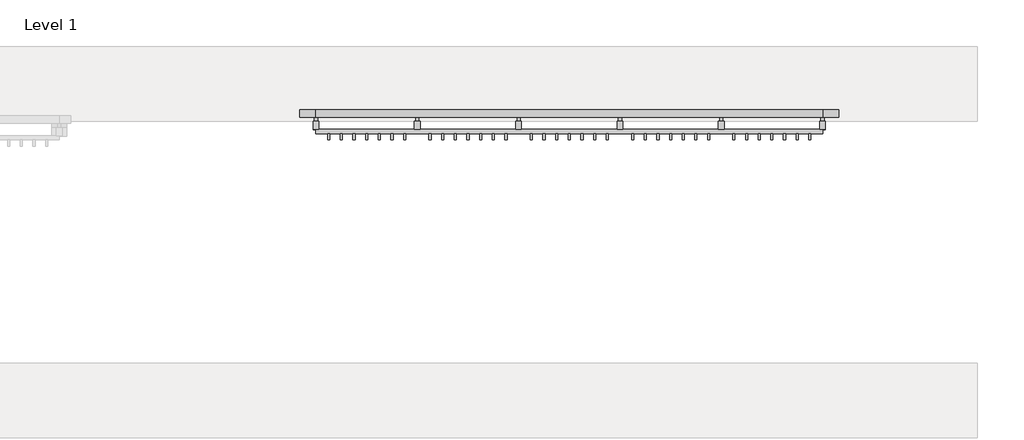
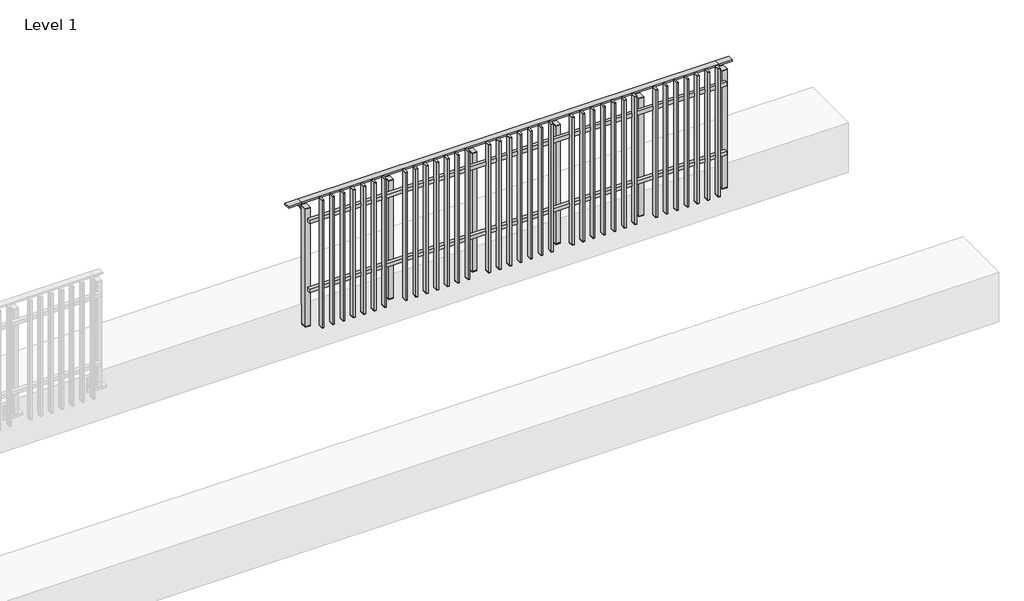
# One storey, part 17 of 17: 1 railing.
"""IFC4 building model written with IfcOpenShell, lengths in millimetres."""

import ifcopenshell
import ifcopenshell.guid

model = None  # the IFC model being written
_history = None  # IfcOwnerHistory: only IFC2X3 demands one
_inside = {}  # id of a spatial element -> (the spatial element, [elements in it])
_under = {}  # id of a project, library or spatial element -> (it, [spatial elements below it])
_declared = {}  # id of a project -> (the project, [libraries it declares])
_typed = {}  # id of a type object -> (the type object, [elements of that type])
_made_of = {}  # id of a material, layer set ... -> (it, [elements and type objects made of it])


def new_model(schema):
    """Start an empty IFC model of exactly this schema.

    Asked for "IFC4X3", IfcOpenShell would pick the latest addendum, in which some entities
    have other attributes; the version numbers below select the first issue.
    IFC2X3 requires an IfcOwnerHistory on every rooted entity: one is made here for all.
    """
    global model, _history
    if schema == "IFC4X3":
        model = ifcopenshell.file(schema_version=(4, 3, 0, 0))
    else:
        model = ifcopenshell.file(schema=schema)
    _inside.clear()
    _under.clear()
    _declared.clear()
    _typed.clear()
    _made_of.clear()
    _history = None
    if model.schema == "IFC2X3":
        org = make("IfcOrganization", Name="unknown")
        user = make(
            "IfcPersonAndOrganization",
            ThePerson=make("IfcPerson", FamilyName="unknown"),
            TheOrganization=org,
        )
        app = make(
            "IfcApplication",
            ApplicationDeveloper=org,
            Version="unknown",
            ApplicationFullName="unknown",
            ApplicationIdentifier="unknown",
        )
        _history = make(
            "IfcOwnerHistory",
            OwningUser=user,
            OwningApplication=app,
            ChangeAction="ADDED",
            CreationDate=0,
        )
    return model


def make(cls, **values):
    """One entity of the class cls with the attributes given. An attribute that is None is left unset."""
    return model.create_entity(
        cls, **{name: value for name, value in values.items() if value is not None}
    )


def rooted(cls, **values):
    """An entity with a GlobalId (a new one), such as an element, a storey or a relation."""
    return make(cls, GlobalId=ifcopenshell.guid.new(), OwnerHistory=_history, **values)


def si_unit(unit_type, name, prefix=None):
    """IfcSIUnit, for example si_unit("LENGTHUNIT", "METRE", prefix="MILLI")."""
    return make("IfcSIUnit", UnitType=unit_type, Prefix=prefix, Name=name)


def assignment(units):
    """IfcUnitAssignment: the units of a project."""
    return None if units is None else make("IfcUnitAssignment", Units=units)


def point(xyz):
    """IfcCartesianPoint."""
    return None if xyz is None else make("IfcCartesianPoint", Coordinates=xyz)


def direction(xyz):
    """IfcDirection."""
    return None if xyz is None else make("IfcDirection", DirectionRatios=xyz)


def frame(location, z_axis=None, x_axis=None):
    """IfcAxis2Placement3D, a coordinate frame: its origin and axes. An axis left out is left unset."""
    return make(
        "IfcAxis2Placement3D",
        Location=point(location),
        Axis=direction(z_axis),
        RefDirection=direction(x_axis),
    )


def frame_2d(location, x_axis=None):
    """IfcAxis2Placement2D, a coordinate frame in the plane: its origin and x axis."""
    return make(
        "IfcAxis2Placement2D", Location=point(location), RefDirection=direction(x_axis)
    )


def origin():
    """The frame at (0, 0, 0) with its axes left unset."""
    return frame((0.0, 0.0, 0.0))


def place(relative_to, where):
    """IfcLocalPlacement: puts the frame where relative to a parent placement (None: the world)."""
    return make(
        "IfcLocalPlacement", PlacementRelTo=relative_to, RelativePlacement=where
    )


def context(
    kind, dimensions, precision=None, world=None, true_north=None, identifier=None
):
    """IfcGeometricRepresentationContext, for example the 3D "Model" context."""
    return make(
        "IfcGeometricRepresentationContext",
        ContextIdentifier=identifier,
        ContextType=kind,
        CoordinateSpaceDimension=dimensions,
        Precision=precision,
        WorldCoordinateSystem=world,
        TrueNorth=true_north,
    )


def project(units=None, contexts=None):
    """IfcProject with its units and contexts."""
    return rooted(
        "IfcProject",
        Name="project",
        RepresentationContexts=contexts,
        UnitsInContext=assignment(units),
    )


def spatial(cls, under=None, at=None, **own):
    """A site, building, storey or space (cls), placed at a placement, below another one or the project."""
    s = rooted(cls, ObjectPlacement=at, **own)
    if under is not None:
        _under.setdefault(under.id(), (under, []))[1].append(s)
    return s


def polyline(points):
    """IfcPolyline through the points."""
    return make("IfcPolyline", Points=[point(p) for p in points])


def circle_curve(where, radius):
    """IfcCircle in the frame where."""
    return make("IfcCircle", Position=where, Radius=radius)


def trimmed(basis, trim1, trim2, sense, master):
    """IfcTrimmedCurve: the piece of a basis curve between two trims."""
    return make(
        "IfcTrimmedCurve",
        BasisCurve=basis,
        Trim1=trim1,
        Trim2=trim2,
        SenseAgreement=sense,
        MasterRepresentation=master,
    )


def segment(curve, same_sense, transition):
    """IfcCompositeCurveSegment."""
    return make(
        "IfcCompositeCurveSegment",
        Transition=transition,
        SameSense=same_sense,
        ParentCurve=curve,
    )


def composite_curve(segments, self_intersect=None):
    """IfcCompositeCurve: segments joined end to end."""
    return make("IfcCompositeCurve", Segments=segments, SelfIntersect=self_intersect)


def outline(outer, holes=None, kind="AREA"):
    """IfcArbitraryClosedProfileDef: a profile drawn as a closed curve; with holes, ...WithVoids."""
    if holes is None:
        return make("IfcArbitraryClosedProfileDef", ProfileType=kind, OuterCurve=outer)
    return make(
        "IfcArbitraryProfileDefWithVoids",
        ProfileType=kind,
        OuterCurve=outer,
        InnerCurves=holes,
    )


def extrude(swept, where, along, depth):
    """IfcExtrudedAreaSolid: the profile swept, set in the frame where, extruded along a direction by depth."""
    return make(
        "IfcExtrudedAreaSolid",
        SweptArea=swept,
        Position=where,
        ExtrudedDirection=direction(along),
        Depth=depth,
    )


def faces_of(points, faces, orient=None, outer=None):
    """IfcFace entities. A face is a list of loops; a loop is a list of indices into points, from 0.

    orient and outer hold one flag for each loop. By default every Orientation is true, the
    first loop of a face is its IfcFaceOuterBound and the others are IfcFaceBound.
    """
    made = []
    for i, loops in enumerate(faces):
        bounds = []
        for j, loop in enumerate(loops):
            is_outer = j == 0 if outer is None else outer[i][j]
            bounds.append(
                make(
                    "IfcFaceOuterBound" if is_outer else "IfcFaceBound",
                    Bound=make("IfcPolyLoop", Polygon=[points[k] for k in loop]),
                    Orientation=True if orient is None else orient[i][j],
                )
            )
        made.append(make("IfcFace", Bounds=bounds))
    return made


def faceted_brep(points, faces, orient=None, outer=None, voids=None):
    """IfcFacetedBrep: a solid bounded by flat faces; with voids (closed shells), ...WithVoids."""
    shared = [point(p) for p in points]
    hull = make("IfcClosedShell", CfsFaces=faces_of(shared, faces, orient, outer))
    if voids is None:
        return make("IfcFacetedBrep", Outer=hull)
    return make(
        "IfcFacetedBrepWithVoids",
        Outer=hull,
        Voids=[
            make(cls, CfsFaces=faces_of(shared, fs, o, b)) for cls, fs, o, b in voids
        ],
    )


def shape(context_of_items, identifier, shape_type, items):
    """IfcShapeRepresentation: the items that make up one representation, for example the "Body"."""
    return make(
        "IfcShapeRepresentation",
        ContextOfItems=context_of_items,
        RepresentationIdentifier=identifier,
        RepresentationType=shape_type,
        Items=items,
    )


def made_of(thing, what):
    """Note that an element or type object is made of a material, layer set ...; save() writes the relation."""
    if what is not None:
        _made_of.setdefault(what.id(), (what, []))[1].append(thing)
    return thing


def element(
    cls,
    number,
    at=None,
    inside=None,
    cuts=None,
    type_object=None,
    material=None,
    context=None,
    identifier="Body",
    shape_type=None,
    held_by="IfcProductDefinitionShape",
    body=None,
    shapes=None,
    **own,
):
    """One element of the class cls, such as IfcWall. Its Tag is "e" and its number.

    at: its placement. inside: the storey or other place that contains it. cuts: it is an
    opening in that element (IfcRelVoidsElement). A single representation is given by context,
    identifier, shape_type and body (its items); several are given by shapes. held_by: the class
    of the entity that holds the representations. save() writes the other relations.
    """
    e = rooted(cls, Tag="e%d" % number, ObjectPlacement=at, **own)
    if body is not None:
        shapes = [shape(context, identifier, shape_type, body)]
    if shapes is not None:
        e.Representation = make(held_by, Representations=shapes)
    if inside is not None:
        _inside.setdefault(inside.id(), (inside, []))[1].append(e)
    if cuts is not None:
        rooted(
            "IfcRelVoidsElement", RelatingBuildingElement=cuts, RelatedOpeningElement=e
        )
    if type_object is not None:
        _typed.setdefault(type_object.id(), (type_object, []))[1].append(e)
    return made_of(e, material)


def aggregate(whole, parts):
    """IfcRelAggregates: a whole, such as a stair, and the parts it consists of."""
    return rooted("IfcRelAggregates", RelatingObject=whole, RelatedObjects=parts)


def save(model, path):
    """Write the relations noted so far, then the file.

    IfcRelAggregates (storeys below a building ...), IfcRelContainedInSpatialStructure (elements
    in a storey), IfcRelDefinesByType, IfcRelAssociatesMaterial and IfcRelDeclares: one each for
    every whole, place, type object, material and project.
    """
    for whole, parts in _under.values():
        aggregate(whole, parts)
    for where, things in _inside.values():
        rooted(
            "IfcRelContainedInSpatialStructure",
            RelatedElements=things,
            RelatingStructure=where,
        )
    for kind, things in _typed.values():
        rooted("IfcRelDefinesByType", RelatedObjects=things, RelatingType=kind)
    for what, things in _made_of.values():
        rooted("IfcRelAssociatesMaterial", RelatedObjects=things, RelatingMaterial=what)
    for by, libraries in _declared.values():
        rooted("IfcRelDeclares", RelatingContext=by, RelatedDefinitions=libraries)
    model.write(path)


model = new_model("IFC4")

# Units and contexts
model_context = context("Model", 3, world=origin())
ifc_project = project(units=[si_unit("LENGTHUNIT", "METRE", prefix="MILLI")], contexts=[model_context])

# Site, building, storey
site = spatial("IfcSite", under=ifc_project)
building = spatial("IfcBuilding", under=site)
storey = spatial("IfcBuildingStorey", under=building, Name="Level 1", Elevation=0.0)

# Railing
placement = place(None, origin())
element("IfcRailing", 1, at=placement, inside=storey, context=model_context, shape_type="SolidModel", body=[
    faceted_brep([(18027.0, 7492.6846828, 985.0), (18027.0, 7492.6846828, 1000.0), (22027.0, 7492.6846828, 1000.0), (22027.0, 7492.6846828, 985.0), (18027.0, 7432.6846828, 985.0), (22027.0, 7432.6846828, 985.0), (18027.0, 7432.6846828, 1000.0), (22027.0, 7432.6846828, 1000.0), (17899.5, 7492.6846828, 1000.0), (17899.5, 7492.6846828, 985.0), (17899.5, 7432.6846828, 985.0), (17899.5, 7432.6846828, 1000.0), (22154.5, 7492.6846828, 1000.0), (22154.5, 7432.6846828, 1000.0), (22154.5, 7432.6846828, 985.0), (22154.5, 7492.6846828, 985.0)], [[[0, 1, 2, 3]], [[4, 0, 3, 5]], [[6, 4, 5, 7]], [[1, 6, 7, 2]], [[8, 9, 10, 11]], [[9, 8, 1, 0]], [[10, 9, 0, 4]], [[11, 10, 4, 6]], [[8, 11, 6, 1]], [[12, 13, 14, 15]], [[3, 2, 12, 15]], [[5, 3, 15, 14]], [[7, 5, 14, 13]], [[2, 7, 13, 12]]]),
    extrude(outline(polyline([(18027.0, 7303.1846828), (18027.0, 7335.1846828), (22027.0, 7335.1846828), (22027.0, 7303.1846828), (18027.0, 7303.1846828)])), frame((0.0, 0.0, 164.0), z_axis=(0.0, 0.0, 1.0), x_axis=(1.0, 0.0, 0.0)), (0.0, 0.0, 1.0), 36.0),
    extrude(outline(polyline([(18027.0, 7303.1846828), (18027.0, 7335.1846828), (22027.0, 7335.1846828), (22027.0, 7303.1846828), (18027.0, 7303.1846828)])), frame((0.0, 0.0, 864.0), z_axis=(0.0, 0.0, 1.0), x_axis=(1.0, 0.0, 0.0)), (0.0, 0.0, 1.0), 36.0),
    extrude(outline(polyline([(21918.5, 7254.1846828), (21918.5, 7303.1846828), (21935.5, 7303.1846828), (21935.5, 7254.1846828), (21918.5, 7254.1846828)])), frame((0.0, 0.0, -195.0), z_axis=(0.0, 0.0, 1.0), x_axis=(1.0, 0.0, 0.0)), (0.0, 0.0, 1.0), 1290.0),
    extrude(outline(polyline([(21935.5, 7303.1846828), (21935.5, 7254.1846828), (21918.5, 7254.1846828), (21918.5, 7303.1846828), (21935.5, 7303.1846828)])), frame((0.0, 0.0, -200.0), z_axis=(0.0, 0.0, 1.0), x_axis=(1.0, 0.0, 0.0)), (0.0, 0.0, 1.0), 5.0),
    extrude(outline(polyline([(21935.5, 7303.1846828), (21935.5, 7254.1846828), (21918.5, 7254.1846828), (21918.5, 7303.1846828), (21935.5, 7303.1846828)])), frame((0.0, 0.0, 1095.0), z_axis=(0.0, 0.0, 1.0), x_axis=(1.0, 0.0, 0.0)), (0.0, 0.0, 1.0), 5.0),
    extrude(outline(polyline([(21818.5, 7254.1846828), (21818.5, 7303.1846828), (21835.5, 7303.1846828), (21835.5, 7254.1846828), (21818.5, 7254.1846828)])), frame((0.0, 0.0, -195.0), z_axis=(0.0, 0.0, 1.0), x_axis=(1.0, 0.0, 0.0)), (0.0, 0.0, 1.0), 1290.0),
    extrude(outline(polyline([(21835.5, 7303.1846828), (21835.5, 7254.1846828), (21818.5, 7254.1846828), (21818.5, 7303.1846828), (21835.5, 7303.1846828)])), frame((0.0, 0.0, -200.0), z_axis=(0.0, 0.0, 1.0), x_axis=(1.0, 0.0, 0.0)), (0.0, 0.0, 1.0), 5.0),
    extrude(outline(polyline([(21835.5, 7303.1846828), (21835.5, 7254.1846828), (21818.5, 7254.1846828), (21818.5, 7303.1846828), (21835.5, 7303.1846828)])), frame((0.0, 0.0, 1095.0), z_axis=(0.0, 0.0, 1.0), x_axis=(1.0, 0.0, 0.0)), (0.0, 0.0, 1.0), 5.0),
    extrude(outline(polyline([(21718.5, 7254.1846828), (21718.5, 7303.1846828), (21735.5, 7303.1846828), (21735.5, 7254.1846828), (21718.5, 7254.1846828)])), frame((0.0, 0.0, -195.0), z_axis=(0.0, 0.0, 1.0), x_axis=(1.0, 0.0, 0.0)), (0.0, 0.0, 1.0), 1290.0),
    extrude(outline(polyline([(21735.5, 7303.1846828), (21735.5, 7254.1846828), (21718.5, 7254.1846828), (21718.5, 7303.1846828), (21735.5, 7303.1846828)])), frame((0.0, 0.0, -200.0), z_axis=(0.0, 0.0, 1.0), x_axis=(1.0, 0.0, 0.0)), (0.0, 0.0, 1.0), 5.0),
    extrude(outline(polyline([(21735.5, 7303.1846828), (21735.5, 7254.1846828), (21718.5, 7254.1846828), (21718.5, 7303.1846828), (21735.5, 7303.1846828)])), frame((0.0, 0.0, 1095.0), z_axis=(0.0, 0.0, 1.0), x_axis=(1.0, 0.0, 0.0)), (0.0, 0.0, 1.0), 5.0),
    extrude(outline(polyline([(21618.5, 7254.1846828), (21618.5, 7303.1846828), (21635.5, 7303.1846828), (21635.5, 7254.1846828), (21618.5, 7254.1846828)])), frame((0.0, 0.0, -195.0), z_axis=(0.0, 0.0, 1.0), x_axis=(1.0, 0.0, 0.0)), (0.0, 0.0, 1.0), 1290.0),
    extrude(outline(polyline([(21635.5, 7303.1846828), (21635.5, 7254.1846828), (21618.5, 7254.1846828), (21618.5, 7303.1846828), (21635.5, 7303.1846828)])), frame((0.0, 0.0, -200.0), z_axis=(0.0, 0.0, 1.0), x_axis=(1.0, 0.0, 0.0)), (0.0, 0.0, 1.0), 5.0),
    extrude(outline(polyline([(21635.5, 7303.1846828), (21635.5, 7254.1846828), (21618.5, 7254.1846828), (21618.5, 7303.1846828), (21635.5, 7303.1846828)])), frame((0.0, 0.0, 1095.0), z_axis=(0.0, 0.0, 1.0), x_axis=(1.0, 0.0, 0.0)), (0.0, 0.0, 1.0), 5.0),
    extrude(outline(polyline([(21518.5, 7254.1846828), (21518.5, 7303.1846828), (21535.5, 7303.1846828), (21535.5, 7254.1846828), (21518.5, 7254.1846828)])), frame((0.0, 0.0, -195.0), z_axis=(0.0, 0.0, 1.0), x_axis=(1.0, 0.0, 0.0)), (0.0, 0.0, 1.0), 1290.0),
    extrude(outline(polyline([(21535.5, 7303.1846828), (21535.5, 7254.1846828), (21518.5, 7254.1846828), (21518.5, 7303.1846828), (21535.5, 7303.1846828)])), frame((0.0, 0.0, -200.0), z_axis=(0.0, 0.0, 1.0), x_axis=(1.0, 0.0, 0.0)), (0.0, 0.0, 1.0), 5.0),
    extrude(outline(polyline([(21535.5, 7303.1846828), (21535.5, 7254.1846828), (21518.5, 7254.1846828), (21518.5, 7303.1846828), (21535.5, 7303.1846828)])), frame((0.0, 0.0, 1095.0), z_axis=(0.0, 0.0, 1.0), x_axis=(1.0, 0.0, 0.0)), (0.0, 0.0, 1.0), 5.0),
    extrude(outline(polyline([(21418.5, 7254.1846828), (21418.5, 7303.1846828), (21435.5, 7303.1846828), (21435.5, 7254.1846828), (21418.5, 7254.1846828)])), frame((0.0, 0.0, -195.0), z_axis=(0.0, 0.0, 1.0), x_axis=(1.0, 0.0, 0.0)), (0.0, 0.0, 1.0), 1290.0),
    extrude(outline(polyline([(21435.5, 7303.1846828), (21435.5, 7254.1846828), (21418.5, 7254.1846828), (21418.5, 7303.1846828), (21435.5, 7303.1846828)])), frame((0.0, 0.0, -200.0), z_axis=(0.0, 0.0, 1.0), x_axis=(1.0, 0.0, 0.0)), (0.0, 0.0, 1.0), 5.0),
    extrude(outline(polyline([(21435.5, 7303.1846828), (21435.5, 7254.1846828), (21418.5, 7254.1846828), (21418.5, 7303.1846828), (21435.5, 7303.1846828)])), frame((0.0, 0.0, 1095.0), z_axis=(0.0, 0.0, 1.0), x_axis=(1.0, 0.0, 0.0)), (0.0, 0.0, 1.0), 5.0),
    extrude(outline(polyline([(21318.5, 7254.1846828), (21318.5, 7303.1846828), (21335.5, 7303.1846828), (21335.5, 7254.1846828), (21318.5, 7254.1846828)])), frame((0.0, 0.0, -195.0), z_axis=(0.0, 0.0, 1.0), x_axis=(1.0, 0.0, 0.0)), (0.0, 0.0, 1.0), 1290.0),
    extrude(outline(polyline([(21335.5, 7303.1846828), (21335.5, 7254.1846828), (21318.5, 7254.1846828), (21318.5, 7303.1846828), (21335.5, 7303.1846828)])), frame((0.0, 0.0, -200.0), z_axis=(0.0, 0.0, 1.0), x_axis=(1.0, 0.0, 0.0)), (0.0, 0.0, 1.0), 5.0),
    extrude(outline(polyline([(21335.5, 7303.1846828), (21335.5, 7254.1846828), (21318.5, 7254.1846828), (21318.5, 7303.1846828), (21335.5, 7303.1846828)])), frame((0.0, 0.0, 1095.0), z_axis=(0.0, 0.0, 1.0), x_axis=(1.0, 0.0, 0.0)), (0.0, 0.0, 1.0), 5.0),
    extrude(outline(composite_curve([segment(polyline([(7488.1846828, 985.0), (7488.1846828, 960.900037)]), True, "CONTINUOUS"), segment(trimmed(circle_curve(frame_2d((7478.1846828, 960.900037)), 10.0), [point((7488.1846828, 960.900037))], [point((7480.7728733, 951.2407787))], False, "CARTESIAN"), True, "CONTINUOUS"), segment(polyline([(7480.7728733, 951.2407787), (7423.7244733, 935.9547061)]), True, "CONTINUOUS"), segment(trimmed(circle_curve(frame_2d((7426.3126638, 926.2954478)), 10.0), [point((7423.7244733, 935.9547061))], [point((7416.3982152, 927.6007097))], True, "CARTESIAN"), True, "CONTINUOUS"), segment(polyline([(7416.3982152, 927.6007097), (7411.791393, 892.6084214)]), True, "CONTINUOUS"), segment(trimmed(circle_curve(frame_2d((7408.8170584, 893.0)), 3.0), [point((7411.791393, 892.6084214))], [point((7408.8170584, 890.0))], False, "CARTESIAN"), True, "CONTINUOUS"), segment(polyline([(7408.8170584, 890.0), (7400.1846828, 890.0), (7400.1846828, 940.0), (7464.1846828, 957.1487483), (7464.1846828, 985.0), (7488.1846828, 985.0)]), True, "CONTINUOUS")], self_intersect=False)), frame((21214.5, 0.0, 0.0), z_axis=(1.0, 0.0, 0.0), x_axis=(0.0, 1.0, 0.0)), (0.0, 0.0, 1.0), 25.0),
    extrude(outline(polyline([(21249.5, 7400.1846828), (21249.5, 7335.1846828), (21204.5, 7335.1846828), (21204.5, 7400.1846828), (21249.5, 7400.1846828)])), frame((0.0, 0.0, 1000.0), z_axis=(0.0, 0.0, 1.0), x_axis=(1.0, 0.0, 0.0)), (0.0, 0.0, 1.0), 5.0),
    extrude(outline(polyline([(21249.5, 7400.1846828), (21249.5, 7335.1846828), (21204.5, 7335.1846828), (21204.5, 7400.1846828), (21249.5, 7400.1846828)])), frame((0.0, 0.0, -192.0), z_axis=(0.0, 0.0, 1.0), x_axis=(1.0, 0.0, 0.0)), (0.0, 0.0, 1.0), 1192.0),
    extrude(outline(polyline([(21249.5, 7400.1846828), (21249.5, 7335.1846828), (21204.5, 7335.1846828), (21204.5, 7400.1846828), (21249.5, 7400.1846828)])), frame((0.0, 0.0, -200.0), z_axis=(0.0, 0.0, 1.0), x_axis=(1.0, 0.0, 0.0)), (0.0, 0.0, 1.0), 8.0),
    extrude(outline(polyline([(21118.5, 7254.1846828), (21118.5, 7303.1846828), (21135.5, 7303.1846828), (21135.5, 7254.1846828), (21118.5, 7254.1846828)])), frame((0.0, 0.0, -195.0), z_axis=(0.0, 0.0, 1.0), x_axis=(1.0, 0.0, 0.0)), (0.0, 0.0, 1.0), 1290.0),
    extrude(outline(polyline([(21135.5, 7303.1846828), (21135.5, 7254.1846828), (21118.5, 7254.1846828), (21118.5, 7303.1846828), (21135.5, 7303.1846828)])), frame((0.0, 0.0, -200.0), z_axis=(0.0, 0.0, 1.0), x_axis=(1.0, 0.0, 0.0)), (0.0, 0.0, 1.0), 5.0),
    extrude(outline(polyline([(21135.5, 7303.1846828), (21135.5, 7254.1846828), (21118.5, 7254.1846828), (21118.5, 7303.1846828), (21135.5, 7303.1846828)])), frame((0.0, 0.0, 1095.0), z_axis=(0.0, 0.0, 1.0), x_axis=(1.0, 0.0, 0.0)), (0.0, 0.0, 1.0), 5.0),
    extrude(outline(polyline([(21018.5, 7254.1846828), (21018.5, 7303.1846828), (21035.5, 7303.1846828), (21035.5, 7254.1846828), (21018.5, 7254.1846828)])), frame((0.0, 0.0, -195.0), z_axis=(0.0, 0.0, 1.0), x_axis=(1.0, 0.0, 0.0)), (0.0, 0.0, 1.0), 1290.0),
    extrude(outline(polyline([(21035.5, 7303.1846828), (21035.5, 7254.1846828), (21018.5, 7254.1846828), (21018.5, 7303.1846828), (21035.5, 7303.1846828)])), frame((0.0, 0.0, -200.0), z_axis=(0.0, 0.0, 1.0), x_axis=(1.0, 0.0, 0.0)), (0.0, 0.0, 1.0), 5.0),
    extrude(outline(polyline([(21035.5, 7303.1846828), (21035.5, 7254.1846828), (21018.5, 7254.1846828), (21018.5, 7303.1846828), (21035.5, 7303.1846828)])), frame((0.0, 0.0, 1095.0), z_axis=(0.0, 0.0, 1.0), x_axis=(1.0, 0.0, 0.0)), (0.0, 0.0, 1.0), 5.0),
    extrude(outline(polyline([(20918.5, 7254.1846828), (20918.5, 7303.1846828), (20935.5, 7303.1846828), (20935.5, 7254.1846828), (20918.5, 7254.1846828)])), frame((0.0, 0.0, -195.0), z_axis=(0.0, 0.0, 1.0), x_axis=(1.0, 0.0, 0.0)), (0.0, 0.0, 1.0), 1290.0),
    extrude(outline(polyline([(20935.5, 7303.1846828), (20935.5, 7254.1846828), (20918.5, 7254.1846828), (20918.5, 7303.1846828), (20935.5, 7303.1846828)])), frame((0.0, 0.0, -200.0), z_axis=(0.0, 0.0, 1.0), x_axis=(1.0, 0.0, 0.0)), (0.0, 0.0, 1.0), 5.0),
    extrude(outline(polyline([(20935.5, 7303.1846828), (20935.5, 7254.1846828), (20918.5, 7254.1846828), (20918.5, 7303.1846828), (20935.5, 7303.1846828)])), frame((0.0, 0.0, 1095.0), z_axis=(0.0, 0.0, 1.0), x_axis=(1.0, 0.0, 0.0)), (0.0, 0.0, 1.0), 5.0),
    extrude(outline(polyline([(20818.5, 7254.1846828), (20818.5, 7303.1846828), (20835.5, 7303.1846828), (20835.5, 7254.1846828), (20818.5, 7254.1846828)])), frame((0.0, 0.0, -195.0), z_axis=(0.0, 0.0, 1.0), x_axis=(1.0, 0.0, 0.0)), (0.0, 0.0, 1.0), 1290.0),
    extrude(outline(polyline([(20835.5, 7303.1846828), (20835.5, 7254.1846828), (20818.5, 7254.1846828), (20818.5, 7303.1846828), (20835.5, 7303.1846828)])), frame((0.0, 0.0, -200.0), z_axis=(0.0, 0.0, 1.0), x_axis=(1.0, 0.0, 0.0)), (0.0, 0.0, 1.0), 5.0),
    extrude(outline(polyline([(20835.5, 7303.1846828), (20835.5, 7254.1846828), (20818.5, 7254.1846828), (20818.5, 7303.1846828), (20835.5, 7303.1846828)])), frame((0.0, 0.0, 1095.0), z_axis=(0.0, 0.0, 1.0), x_axis=(1.0, 0.0, 0.0)), (0.0, 0.0, 1.0), 5.0),
    extrude(outline(polyline([(20718.5, 7254.1846828), (20718.5, 7303.1846828), (20735.5, 7303.1846828), (20735.5, 7254.1846828), (20718.5, 7254.1846828)])), frame((0.0, 0.0, -195.0), z_axis=(0.0, 0.0, 1.0), x_axis=(1.0, 0.0, 0.0)), (0.0, 0.0, 1.0), 1290.0),
    extrude(outline(polyline([(20735.5, 7303.1846828), (20735.5, 7254.1846828), (20718.5, 7254.1846828), (20718.5, 7303.1846828), (20735.5, 7303.1846828)])), frame((0.0, 0.0, -200.0), z_axis=(0.0, 0.0, 1.0), x_axis=(1.0, 0.0, 0.0)), (0.0, 0.0, 1.0), 5.0),
    extrude(outline(polyline([(20735.5, 7303.1846828), (20735.5, 7254.1846828), (20718.5, 7254.1846828), (20718.5, 7303.1846828), (20735.5, 7303.1846828)])), frame((0.0, 0.0, 1095.0), z_axis=(0.0, 0.0, 1.0), x_axis=(1.0, 0.0, 0.0)), (0.0, 0.0, 1.0), 5.0),
    extrude(outline(polyline([(20618.5, 7254.1846828), (20618.5, 7303.1846828), (20635.5, 7303.1846828), (20635.5, 7254.1846828), (20618.5, 7254.1846828)])), frame((0.0, 0.0, -195.0), z_axis=(0.0, 0.0, 1.0), x_axis=(1.0, 0.0, 0.0)), (0.0, 0.0, 1.0), 1290.0),
    extrude(outline(polyline([(20635.5, 7303.1846828), (20635.5, 7254.1846828), (20618.5, 7254.1846828), (20618.5, 7303.1846828), (20635.5, 7303.1846828)])), frame((0.0, 0.0, -200.0), z_axis=(0.0, 0.0, 1.0), x_axis=(1.0, 0.0, 0.0)), (0.0, 0.0, 1.0), 5.0),
    extrude(outline(polyline([(20635.5, 7303.1846828), (20635.5, 7254.1846828), (20618.5, 7254.1846828), (20618.5, 7303.1846828), (20635.5, 7303.1846828)])), frame((0.0, 0.0, 1095.0), z_axis=(0.0, 0.0, 1.0), x_axis=(1.0, 0.0, 0.0)), (0.0, 0.0, 1.0), 5.0),
    extrude(outline(polyline([(20518.5, 7254.1846828), (20518.5, 7303.1846828), (20535.5, 7303.1846828), (20535.5, 7254.1846828), (20518.5, 7254.1846828)])), frame((0.0, 0.0, -195.0), z_axis=(0.0, 0.0, 1.0), x_axis=(1.0, 0.0, 0.0)), (0.0, 0.0, 1.0), 1290.0),
    extrude(outline(polyline([(20535.5, 7303.1846828), (20535.5, 7254.1846828), (20518.5, 7254.1846828), (20518.5, 7303.1846828), (20535.5, 7303.1846828)])), frame((0.0, 0.0, -200.0), z_axis=(0.0, 0.0, 1.0), x_axis=(1.0, 0.0, 0.0)), (0.0, 0.0, 1.0), 5.0),
    extrude(outline(polyline([(20535.5, 7303.1846828), (20535.5, 7254.1846828), (20518.5, 7254.1846828), (20518.5, 7303.1846828), (20535.5, 7303.1846828)])), frame((0.0, 0.0, 1095.0), z_axis=(0.0, 0.0, 1.0), x_axis=(1.0, 0.0, 0.0)), (0.0, 0.0, 1.0), 5.0),
    extrude(outline(composite_curve([segment(polyline([(7488.1846828, 985.0), (7488.1846828, 960.900037)]), True, "CONTINUOUS"), segment(trimmed(circle_curve(frame_2d((7478.1846828, 960.900037)), 10.0), [point((7488.1846828, 960.900037))], [point((7480.7728733, 951.2407787))], False, "CARTESIAN"), True, "CONTINUOUS"), segment(polyline([(7480.7728733, 951.2407787), (7423.7244733, 935.9547061)]), True, "CONTINUOUS"), segment(trimmed(circle_curve(frame_2d((7426.3126638, 926.2954478)), 10.0), [point((7423.7244733, 935.9547061))], [point((7416.3982152, 927.6007097))], True, "CARTESIAN"), True, "CONTINUOUS"), segment(polyline([(7416.3982152, 927.6007097), (7411.791393, 892.6084214)]), True, "CONTINUOUS"), segment(trimmed(circle_curve(frame_2d((7408.8170584, 893.0)), 3.0), [point((7411.791393, 892.6084214))], [point((7408.8170584, 890.0))], False, "CARTESIAN"), True, "CONTINUOUS"), segment(polyline([(7408.8170584, 890.0), (7400.1846828, 890.0), (7400.1846828, 940.0), (7464.1846828, 957.1487483), (7464.1846828, 985.0), (7488.1846828, 985.0)]), True, "CONTINUOUS")], self_intersect=False)), frame((20414.5, 0.0, 0.0), z_axis=(1.0, 0.0, 0.0), x_axis=(0.0, 1.0, 0.0)), (0.0, 0.0, 1.0), 25.0),
    extrude(outline(polyline([(20449.5, 7400.1846828), (20449.5, 7335.1846828), (20404.5, 7335.1846828), (20404.5, 7400.1846828), (20449.5, 7400.1846828)])), frame((0.0, 0.0, 1000.0), z_axis=(0.0, 0.0, 1.0), x_axis=(1.0, 0.0, 0.0)), (0.0, 0.0, 1.0), 5.0),
    extrude(outline(polyline([(20449.5, 7400.1846828), (20449.5, 7335.1846828), (20404.5, 7335.1846828), (20404.5, 7400.1846828), (20449.5, 7400.1846828)])), frame((0.0, 0.0, -192.0), z_axis=(0.0, 0.0, 1.0), x_axis=(1.0, 0.0, 0.0)), (0.0, 0.0, 1.0), 1192.0),
    extrude(outline(polyline([(20449.5, 7400.1846828), (20449.5, 7335.1846828), (20404.5, 7335.1846828), (20404.5, 7400.1846828), (20449.5, 7400.1846828)])), frame((0.0, 0.0, -200.0), z_axis=(0.0, 0.0, 1.0), x_axis=(1.0, 0.0, 0.0)), (0.0, 0.0, 1.0), 8.0),
    extrude(outline(polyline([(20318.5, 7254.1846828), (20318.5, 7303.1846828), (20335.5, 7303.1846828), (20335.5, 7254.1846828), (20318.5, 7254.1846828)])), frame((0.0, 0.0, -195.0), z_axis=(0.0, 0.0, 1.0), x_axis=(1.0, 0.0, 0.0)), (0.0, 0.0, 1.0), 1290.0),
    extrude(outline(polyline([(20335.5, 7303.1846828), (20335.5, 7254.1846828), (20318.5, 7254.1846828), (20318.5, 7303.1846828), (20335.5, 7303.1846828)])), frame((0.0, 0.0, -200.0), z_axis=(0.0, 0.0, 1.0), x_axis=(1.0, 0.0, 0.0)), (0.0, 0.0, 1.0), 5.0),
    extrude(outline(polyline([(20335.5, 7303.1846828), (20335.5, 7254.1846828), (20318.5, 7254.1846828), (20318.5, 7303.1846828), (20335.5, 7303.1846828)])), frame((0.0, 0.0, 1095.0), z_axis=(0.0, 0.0, 1.0), x_axis=(1.0, 0.0, 0.0)), (0.0, 0.0, 1.0), 5.0),
    extrude(outline(polyline([(20218.5, 7254.1846828), (20218.5, 7303.1846828), (20235.5, 7303.1846828), (20235.5, 7254.1846828), (20218.5, 7254.1846828)])), frame((0.0, 0.0, -195.0), z_axis=(0.0, 0.0, 1.0), x_axis=(1.0, 0.0, 0.0)), (0.0, 0.0, 1.0), 1290.0),
    extrude(outline(polyline([(20235.5, 7303.1846828), (20235.5, 7254.1846828), (20218.5, 7254.1846828), (20218.5, 7303.1846828), (20235.5, 7303.1846828)])), frame((0.0, 0.0, -200.0), z_axis=(0.0, 0.0, 1.0), x_axis=(1.0, 0.0, 0.0)), (0.0, 0.0, 1.0), 5.0),
    extrude(outline(polyline([(20235.5, 7303.1846828), (20235.5, 7254.1846828), (20218.5, 7254.1846828), (20218.5, 7303.1846828), (20235.5, 7303.1846828)])), frame((0.0, 0.0, 1095.0), z_axis=(0.0, 0.0, 1.0), x_axis=(1.0, 0.0, 0.0)), (0.0, 0.0, 1.0), 5.0),
    extrude(outline(polyline([(20118.5, 7254.1846828), (20118.5, 7303.1846828), (20135.5, 7303.1846828), (20135.5, 7254.1846828), (20118.5, 7254.1846828)])), frame((0.0, 0.0, -195.0), z_axis=(0.0, 0.0, 1.0), x_axis=(1.0, 0.0, 0.0)), (0.0, 0.0, 1.0), 1290.0),
    extrude(outline(polyline([(20135.5, 7303.1846828), (20135.5, 7254.1846828), (20118.5, 7254.1846828), (20118.5, 7303.1846828), (20135.5, 7303.1846828)])), frame((0.0, 0.0, -200.0), z_axis=(0.0, 0.0, 1.0), x_axis=(1.0, 0.0, 0.0)), (0.0, 0.0, 1.0), 5.0),
    extrude(outline(polyline([(20135.5, 7303.1846828), (20135.5, 7254.1846828), (20118.5, 7254.1846828), (20118.5, 7303.1846828), (20135.5, 7303.1846828)])), frame((0.0, 0.0, 1095.0), z_axis=(0.0, 0.0, 1.0), x_axis=(1.0, 0.0, 0.0)), (0.0, 0.0, 1.0), 5.0),
    extrude(outline(polyline([(20018.5, 7254.1846828), (20018.5, 7303.1846828), (20035.5, 7303.1846828), (20035.5, 7254.1846828), (20018.5, 7254.1846828)])), frame((0.0, 0.0, -195.0), z_axis=(0.0, 0.0, 1.0), x_axis=(1.0, 0.0, 0.0)), (0.0, 0.0, 1.0), 1290.0),
    extrude(outline(polyline([(20035.5, 7303.1846828), (20035.5, 7254.1846828), (20018.5, 7254.1846828), (20018.5, 7303.1846828), (20035.5, 7303.1846828)])), frame((0.0, 0.0, -200.0), z_axis=(0.0, 0.0, 1.0), x_axis=(1.0, 0.0, 0.0)), (0.0, 0.0, 1.0), 5.0),
    extrude(outline(polyline([(20035.5, 7303.1846828), (20035.5, 7254.1846828), (20018.5, 7254.1846828), (20018.5, 7303.1846828), (20035.5, 7303.1846828)])), frame((0.0, 0.0, 1095.0), z_axis=(0.0, 0.0, 1.0), x_axis=(1.0, 0.0, 0.0)), (0.0, 0.0, 1.0), 5.0),
    extrude(outline(polyline([(19918.5, 7254.1846828), (19918.5, 7303.1846828), (19935.5, 7303.1846828), (19935.5, 7254.1846828), (19918.5, 7254.1846828)])), frame((0.0, 0.0, -195.0), z_axis=(0.0, 0.0, 1.0), x_axis=(1.0, 0.0, 0.0)), (0.0, 0.0, 1.0), 1290.0),
    extrude(outline(polyline([(19935.5, 7303.1846828), (19935.5, 7254.1846828), (19918.5, 7254.1846828), (19918.5, 7303.1846828), (19935.5, 7303.1846828)])), frame((0.0, 0.0, -200.0), z_axis=(0.0, 0.0, 1.0), x_axis=(1.0, 0.0, 0.0)), (0.0, 0.0, 1.0), 5.0),
    extrude(outline(polyline([(19935.5, 7303.1846828), (19935.5, 7254.1846828), (19918.5, 7254.1846828), (19918.5, 7303.1846828), (19935.5, 7303.1846828)])), frame((0.0, 0.0, 1095.0), z_axis=(0.0, 0.0, 1.0), x_axis=(1.0, 0.0, 0.0)), (0.0, 0.0, 1.0), 5.0),
    extrude(outline(polyline([(19818.5, 7254.1846828), (19818.5, 7303.1846828), (19835.5, 7303.1846828), (19835.5, 7254.1846828), (19818.5, 7254.1846828)])), frame((0.0, 0.0, -195.0), z_axis=(0.0, 0.0, 1.0), x_axis=(1.0, 0.0, 0.0)), (0.0, 0.0, 1.0), 1290.0),
    extrude(outline(polyline([(19835.5, 7303.1846828), (19835.5, 7254.1846828), (19818.5, 7254.1846828), (19818.5, 7303.1846828), (19835.5, 7303.1846828)])), frame((0.0, 0.0, -200.0), z_axis=(0.0, 0.0, 1.0), x_axis=(1.0, 0.0, 0.0)), (0.0, 0.0, 1.0), 5.0),
    extrude(outline(polyline([(19835.5, 7303.1846828), (19835.5, 7254.1846828), (19818.5, 7254.1846828), (19818.5, 7303.1846828), (19835.5, 7303.1846828)])), frame((0.0, 0.0, 1095.0), z_axis=(0.0, 0.0, 1.0), x_axis=(1.0, 0.0, 0.0)), (0.0, 0.0, 1.0), 5.0),
    extrude(outline(polyline([(19718.5, 7254.1846828), (19718.5, 7303.1846828), (19735.5, 7303.1846828), (19735.5, 7254.1846828), (19718.5, 7254.1846828)])), frame((0.0, 0.0, -195.0), z_axis=(0.0, 0.0, 1.0), x_axis=(1.0, 0.0, 0.0)), (0.0, 0.0, 1.0), 1290.0),
    extrude(outline(polyline([(19735.5, 7303.1846828), (19735.5, 7254.1846828), (19718.5, 7254.1846828), (19718.5, 7303.1846828), (19735.5, 7303.1846828)])), frame((0.0, 0.0, -200.0), z_axis=(0.0, 0.0, 1.0), x_axis=(1.0, 0.0, 0.0)), (0.0, 0.0, 1.0), 5.0),
    extrude(outline(polyline([(19735.5, 7303.1846828), (19735.5, 7254.1846828), (19718.5, 7254.1846828), (19718.5, 7303.1846828), (19735.5, 7303.1846828)])), frame((0.0, 0.0, 1095.0), z_axis=(0.0, 0.0, 1.0), x_axis=(1.0, 0.0, 0.0)), (0.0, 0.0, 1.0), 5.0),
    extrude(outline(composite_curve([segment(polyline([(7488.1846828, 985.0), (7488.1846828, 960.900037)]), True, "CONTINUOUS"), segment(trimmed(circle_curve(frame_2d((7478.1846828, 960.900037)), 10.0), [point((7488.1846828, 960.900037))], [point((7480.7728733, 951.2407787))], False, "CARTESIAN"), True, "CONTINUOUS"), segment(polyline([(7480.7728733, 951.2407787), (7423.7244733, 935.9547061)]), True, "CONTINUOUS"), segment(trimmed(circle_curve(frame_2d((7426.3126638, 926.2954478)), 10.0), [point((7423.7244733, 935.9547061))], [point((7416.3982152, 927.6007097))], True, "CARTESIAN"), True, "CONTINUOUS"), segment(polyline([(7416.3982152, 927.6007097), (7411.791393, 892.6084214)]), True, "CONTINUOUS"), segment(trimmed(circle_curve(frame_2d((7408.8170584, 893.0)), 3.0), [point((7411.791393, 892.6084214))], [point((7408.8170584, 890.0))], False, "CARTESIAN"), True, "CONTINUOUS"), segment(polyline([(7408.8170584, 890.0), (7400.1846828, 890.0), (7400.1846828, 940.0), (7464.1846828, 957.1487483), (7464.1846828, 985.0), (7488.1846828, 985.0)]), True, "CONTINUOUS")], self_intersect=False)), frame((19614.5, 0.0, 0.0), z_axis=(1.0, 0.0, 0.0), x_axis=(0.0, 1.0, 0.0)), (0.0, 0.0, 1.0), 25.0),
    extrude(outline(polyline([(19649.5, 7400.1846828), (19649.5, 7335.1846828), (19604.5, 7335.1846828), (19604.5, 7400.1846828), (19649.5, 7400.1846828)])), frame((0.0, 0.0, 1000.0), z_axis=(0.0, 0.0, 1.0), x_axis=(1.0, 0.0, 0.0)), (0.0, 0.0, 1.0), 5.0),
    extrude(outline(polyline([(19649.5, 7400.1846828), (19649.5, 7335.1846828), (19604.5, 7335.1846828), (19604.5, 7400.1846828), (19649.5, 7400.1846828)])), frame((0.0, 0.0, -192.0), z_axis=(0.0, 0.0, 1.0), x_axis=(1.0, 0.0, 0.0)), (0.0, 0.0, 1.0), 1192.0),
    extrude(outline(polyline([(19649.5, 7400.1846828), (19649.5, 7335.1846828), (19604.5, 7335.1846828), (19604.5, 7400.1846828), (19649.5, 7400.1846828)])), frame((0.0, 0.0, -200.0), z_axis=(0.0, 0.0, 1.0), x_axis=(1.0, 0.0, 0.0)), (0.0, 0.0, 1.0), 8.0),
    extrude(outline(polyline([(19518.5, 7254.1846828), (19518.5, 7303.1846828), (19535.5, 7303.1846828), (19535.5, 7254.1846828), (19518.5, 7254.1846828)])), frame((0.0, 0.0, -195.0), z_axis=(0.0, 0.0, 1.0), x_axis=(1.0, 0.0, 0.0)), (0.0, 0.0, 1.0), 1290.0),
    extrude(outline(polyline([(19535.5, 7303.1846828), (19535.5, 7254.1846828), (19518.5, 7254.1846828), (19518.5, 7303.1846828), (19535.5, 7303.1846828)])), frame((0.0, 0.0, -200.0), z_axis=(0.0, 0.0, 1.0), x_axis=(1.0, 0.0, 0.0)), (0.0, 0.0, 1.0), 5.0),
    extrude(outline(polyline([(19535.5, 7303.1846828), (19535.5, 7254.1846828), (19518.5, 7254.1846828), (19518.5, 7303.1846828), (19535.5, 7303.1846828)])), frame((0.0, 0.0, 1095.0), z_axis=(0.0, 0.0, 1.0), x_axis=(1.0, 0.0, 0.0)), (0.0, 0.0, 1.0), 5.0),
    extrude(outline(polyline([(19418.5, 7254.1846828), (19418.5, 7303.1846828), (19435.5, 7303.1846828), (19435.5, 7254.1846828), (19418.5, 7254.1846828)])), frame((0.0, 0.0, -195.0), z_axis=(0.0, 0.0, 1.0), x_axis=(1.0, 0.0, 0.0)), (0.0, 0.0, 1.0), 1290.0),
    extrude(outline(polyline([(19435.5, 7303.1846828), (19435.5, 7254.1846828), (19418.5, 7254.1846828), (19418.5, 7303.1846828), (19435.5, 7303.1846828)])), frame((0.0, 0.0, -200.0), z_axis=(0.0, 0.0, 1.0), x_axis=(1.0, 0.0, 0.0)), (0.0, 0.0, 1.0), 5.0),
    extrude(outline(polyline([(19435.5, 7303.1846828), (19435.5, 7254.1846828), (19418.5, 7254.1846828), (19418.5, 7303.1846828), (19435.5, 7303.1846828)])), frame((0.0, 0.0, 1095.0), z_axis=(0.0, 0.0, 1.0), x_axis=(1.0, 0.0, 0.0)), (0.0, 0.0, 1.0), 5.0),
    extrude(outline(polyline([(19318.5, 7254.1846828), (19318.5, 7303.1846828), (19335.5, 7303.1846828), (19335.5, 7254.1846828), (19318.5, 7254.1846828)])), frame((0.0, 0.0, -195.0), z_axis=(0.0, 0.0, 1.0), x_axis=(1.0, 0.0, 0.0)), (0.0, 0.0, 1.0), 1290.0),
    extrude(outline(polyline([(19335.5, 7303.1846828), (19335.5, 7254.1846828), (19318.5, 7254.1846828), (19318.5, 7303.1846828), (19335.5, 7303.1846828)])), frame((0.0, 0.0, -200.0), z_axis=(0.0, 0.0, 1.0), x_axis=(1.0, 0.0, 0.0)), (0.0, 0.0, 1.0), 5.0),
    extrude(outline(polyline([(19335.5, 7303.1846828), (19335.5, 7254.1846828), (19318.5, 7254.1846828), (19318.5, 7303.1846828), (19335.5, 7303.1846828)])), frame((0.0, 0.0, 1095.0), z_axis=(0.0, 0.0, 1.0), x_axis=(1.0, 0.0, 0.0)), (0.0, 0.0, 1.0), 5.0),
    extrude(outline(polyline([(19218.5, 7254.1846828), (19218.5, 7303.1846828), (19235.5, 7303.1846828), (19235.5, 7254.1846828), (19218.5, 7254.1846828)])), frame((0.0, 0.0, -195.0), z_axis=(0.0, 0.0, 1.0), x_axis=(1.0, 0.0, 0.0)), (0.0, 0.0, 1.0), 1290.0),
    extrude(outline(polyline([(19235.5, 7303.1846828), (19235.5, 7254.1846828), (19218.5, 7254.1846828), (19218.5, 7303.1846828), (19235.5, 7303.1846828)])), frame((0.0, 0.0, -200.0), z_axis=(0.0, 0.0, 1.0), x_axis=(1.0, 0.0, 0.0)), (0.0, 0.0, 1.0), 5.0),
    extrude(outline(polyline([(19235.5, 7303.1846828), (19235.5, 7254.1846828), (19218.5, 7254.1846828), (19218.5, 7303.1846828), (19235.5, 7303.1846828)])), frame((0.0, 0.0, 1095.0), z_axis=(0.0, 0.0, 1.0), x_axis=(1.0, 0.0, 0.0)), (0.0, 0.0, 1.0), 5.0),
    extrude(outline(polyline([(19118.5, 7254.1846828), (19118.5, 7303.1846828), (19135.5, 7303.1846828), (19135.5, 7254.1846828), (19118.5, 7254.1846828)])), frame((0.0, 0.0, -195.0), z_axis=(0.0, 0.0, 1.0), x_axis=(1.0, 0.0, 0.0)), (0.0, 0.0, 1.0), 1290.0),
    extrude(outline(polyline([(19135.5, 7303.1846828), (19135.5, 7254.1846828), (19118.5, 7254.1846828), (19118.5, 7303.1846828), (19135.5, 7303.1846828)])), frame((0.0, 0.0, -200.0), z_axis=(0.0, 0.0, 1.0), x_axis=(1.0, 0.0, 0.0)), (0.0, 0.0, 1.0), 5.0),
    extrude(outline(polyline([(19135.5, 7303.1846828), (19135.5, 7254.1846828), (19118.5, 7254.1846828), (19118.5, 7303.1846828), (19135.5, 7303.1846828)])), frame((0.0, 0.0, 1095.0), z_axis=(0.0, 0.0, 1.0), x_axis=(1.0, 0.0, 0.0)), (0.0, 0.0, 1.0), 5.0),
    extrude(outline(polyline([(19018.5, 7254.1846828), (19018.5, 7303.1846828), (19035.5, 7303.1846828), (19035.5, 7254.1846828), (19018.5, 7254.1846828)])), frame((0.0, 0.0, -195.0), z_axis=(0.0, 0.0, 1.0), x_axis=(1.0, 0.0, 0.0)), (0.0, 0.0, 1.0), 1290.0),
    extrude(outline(polyline([(19035.5, 7303.1846828), (19035.5, 7254.1846828), (19018.5, 7254.1846828), (19018.5, 7303.1846828), (19035.5, 7303.1846828)])), frame((0.0, 0.0, -200.0), z_axis=(0.0, 0.0, 1.0), x_axis=(1.0, 0.0, 0.0)), (0.0, 0.0, 1.0), 5.0),
    extrude(outline(polyline([(19035.5, 7303.1846828), (19035.5, 7254.1846828), (19018.5, 7254.1846828), (19018.5, 7303.1846828), (19035.5, 7303.1846828)])), frame((0.0, 0.0, 1095.0), z_axis=(0.0, 0.0, 1.0), x_axis=(1.0, 0.0, 0.0)), (0.0, 0.0, 1.0), 5.0),
    extrude(outline(polyline([(18918.5, 7254.1846828), (18918.5, 7303.1846828), (18935.5, 7303.1846828), (18935.5, 7254.1846828), (18918.5, 7254.1846828)])), frame((0.0, 0.0, -195.0), z_axis=(0.0, 0.0, 1.0), x_axis=(1.0, 0.0, 0.0)), (0.0, 0.0, 1.0), 1290.0),
    extrude(outline(polyline([(18935.5, 7303.1846828), (18935.5, 7254.1846828), (18918.5, 7254.1846828), (18918.5, 7303.1846828), (18935.5, 7303.1846828)])), frame((0.0, 0.0, -200.0), z_axis=(0.0, 0.0, 1.0), x_axis=(1.0, 0.0, 0.0)), (0.0, 0.0, 1.0), 5.0),
    extrude(outline(polyline([(18935.5, 7303.1846828), (18935.5, 7254.1846828), (18918.5, 7254.1846828), (18918.5, 7303.1846828), (18935.5, 7303.1846828)])), frame((0.0, 0.0, 1095.0), z_axis=(0.0, 0.0, 1.0), x_axis=(1.0, 0.0, 0.0)), (0.0, 0.0, 1.0), 5.0),
    extrude(outline(composite_curve([segment(polyline([(7488.1846828, 985.0), (7488.1846828, 960.900037)]), True, "CONTINUOUS"), segment(trimmed(circle_curve(frame_2d((7478.1846828, 960.900037)), 10.0), [point((7488.1846828, 960.900037))], [point((7480.7728733, 951.2407787))], False, "CARTESIAN"), True, "CONTINUOUS"), segment(polyline([(7480.7728733, 951.2407787), (7423.7244733, 935.9547061)]), True, "CONTINUOUS"), segment(trimmed(circle_curve(frame_2d((7426.3126638, 926.2954478)), 10.0), [point((7423.7244733, 935.9547061))], [point((7416.3982152, 927.6007097))], True, "CARTESIAN"), True, "CONTINUOUS"), segment(polyline([(7416.3982152, 927.6007097), (7411.791393, 892.6084214)]), True, "CONTINUOUS"), segment(trimmed(circle_curve(frame_2d((7408.8170584, 893.0)), 3.0), [point((7411.791393, 892.6084214))], [point((7408.8170584, 890.0))], False, "CARTESIAN"), True, "CONTINUOUS"), segment(polyline([(7408.8170584, 890.0), (7400.1846828, 890.0), (7400.1846828, 940.0), (7464.1846828, 957.1487483), (7464.1846828, 985.0), (7488.1846828, 985.0)]), True, "CONTINUOUS")], self_intersect=False)), frame((18814.5, 0.0, 0.0), z_axis=(1.0, 0.0, 0.0), x_axis=(0.0, 1.0, 0.0)), (0.0, 0.0, 1.0), 25.0),
    extrude(outline(polyline([(18849.5, 7400.1846828), (18849.5, 7335.1846828), (18804.5, 7335.1846828), (18804.5, 7400.1846828), (18849.5, 7400.1846828)])), frame((0.0, 0.0, 1000.0), z_axis=(0.0, 0.0, 1.0), x_axis=(1.0, 0.0, 0.0)), (0.0, 0.0, 1.0), 5.0),
    extrude(outline(polyline([(18849.5, 7400.1846828), (18849.5, 7335.1846828), (18804.5, 7335.1846828), (18804.5, 7400.1846828), (18849.5, 7400.1846828)])), frame((0.0, 0.0, -192.0), z_axis=(0.0, 0.0, 1.0), x_axis=(1.0, 0.0, 0.0)), (0.0, 0.0, 1.0), 1192.0),
    extrude(outline(polyline([(18849.5, 7400.1846828), (18849.5, 7335.1846828), (18804.5, 7335.1846828), (18804.5, 7400.1846828), (18849.5, 7400.1846828)])), frame((0.0, 0.0, -200.0), z_axis=(0.0, 0.0, 1.0), x_axis=(1.0, 0.0, 0.0)), (0.0, 0.0, 1.0), 8.0),
    extrude(outline(polyline([(18718.5, 7254.1846828), (18718.5, 7303.1846828), (18735.5, 7303.1846828), (18735.5, 7254.1846828), (18718.5, 7254.1846828)])), frame((0.0, 0.0, -195.0), z_axis=(0.0, 0.0, 1.0), x_axis=(1.0, 0.0, 0.0)), (0.0, 0.0, 1.0), 1290.0),
    extrude(outline(polyline([(18735.5, 7303.1846828), (18735.5, 7254.1846828), (18718.5, 7254.1846828), (18718.5, 7303.1846828), (18735.5, 7303.1846828)])), frame((0.0, 0.0, -200.0), z_axis=(0.0, 0.0, 1.0), x_axis=(1.0, 0.0, 0.0)), (0.0, 0.0, 1.0), 5.0),
    extrude(outline(polyline([(18735.5, 7303.1846828), (18735.5, 7254.1846828), (18718.5, 7254.1846828), (18718.5, 7303.1846828), (18735.5, 7303.1846828)])), frame((0.0, 0.0, 1095.0), z_axis=(0.0, 0.0, 1.0), x_axis=(1.0, 0.0, 0.0)), (0.0, 0.0, 1.0), 5.0),
    extrude(outline(polyline([(18618.5, 7254.1846828), (18618.5, 7303.1846828), (18635.5, 7303.1846828), (18635.5, 7254.1846828), (18618.5, 7254.1846828)])), frame((0.0, 0.0, -195.0), z_axis=(0.0, 0.0, 1.0), x_axis=(1.0, 0.0, 0.0)), (0.0, 0.0, 1.0), 1290.0),
    extrude(outline(polyline([(18635.5, 7303.1846828), (18635.5, 7254.1846828), (18618.5, 7254.1846828), (18618.5, 7303.1846828), (18635.5, 7303.1846828)])), frame((0.0, 0.0, -200.0), z_axis=(0.0, 0.0, 1.0), x_axis=(1.0, 0.0, 0.0)), (0.0, 0.0, 1.0), 5.0),
    extrude(outline(polyline([(18635.5, 7303.1846828), (18635.5, 7254.1846828), (18618.5, 7254.1846828), (18618.5, 7303.1846828), (18635.5, 7303.1846828)])), frame((0.0, 0.0, 1095.0), z_axis=(0.0, 0.0, 1.0), x_axis=(1.0, 0.0, 0.0)), (0.0, 0.0, 1.0), 5.0),
    extrude(outline(polyline([(18518.5, 7254.1846828), (18518.5, 7303.1846828), (18535.5, 7303.1846828), (18535.5, 7254.1846828), (18518.5, 7254.1846828)])), frame((0.0, 0.0, -195.0), z_axis=(0.0, 0.0, 1.0), x_axis=(1.0, 0.0, 0.0)), (0.0, 0.0, 1.0), 1290.0),
    extrude(outline(polyline([(18535.5, 7303.1846828), (18535.5, 7254.1846828), (18518.5, 7254.1846828), (18518.5, 7303.1846828), (18535.5, 7303.1846828)])), frame((0.0, 0.0, -200.0), z_axis=(0.0, 0.0, 1.0), x_axis=(1.0, 0.0, 0.0)), (0.0, 0.0, 1.0), 5.0),
    extrude(outline(polyline([(18535.5, 7303.1846828), (18535.5, 7254.1846828), (18518.5, 7254.1846828), (18518.5, 7303.1846828), (18535.5, 7303.1846828)])), frame((0.0, 0.0, 1095.0), z_axis=(0.0, 0.0, 1.0), x_axis=(1.0, 0.0, 0.0)), (0.0, 0.0, 1.0), 5.0),
    extrude(outline(polyline([(18418.5, 7254.1846828), (18418.5, 7303.1846828), (18435.5, 7303.1846828), (18435.5, 7254.1846828), (18418.5, 7254.1846828)])), frame((0.0, 0.0, -195.0), z_axis=(0.0, 0.0, 1.0), x_axis=(1.0, 0.0, 0.0)), (0.0, 0.0, 1.0), 1290.0),
    extrude(outline(polyline([(18435.5, 7303.1846828), (18435.5, 7254.1846828), (18418.5, 7254.1846828), (18418.5, 7303.1846828), (18435.5, 7303.1846828)])), frame((0.0, 0.0, -200.0), z_axis=(0.0, 0.0, 1.0), x_axis=(1.0, 0.0, 0.0)), (0.0, 0.0, 1.0), 5.0),
    extrude(outline(polyline([(18435.5, 7303.1846828), (18435.5, 7254.1846828), (18418.5, 7254.1846828), (18418.5, 7303.1846828), (18435.5, 7303.1846828)])), frame((0.0, 0.0, 1095.0), z_axis=(0.0, 0.0, 1.0), x_axis=(1.0, 0.0, 0.0)), (0.0, 0.0, 1.0), 5.0),
    extrude(outline(polyline([(18318.5, 7254.1846828), (18318.5, 7303.1846828), (18335.5, 7303.1846828), (18335.5, 7254.1846828), (18318.5, 7254.1846828)])), frame((0.0, 0.0, -195.0), z_axis=(0.0, 0.0, 1.0), x_axis=(1.0, 0.0, 0.0)), (0.0, 0.0, 1.0), 1290.0),
    extrude(outline(polyline([(18335.5, 7303.1846828), (18335.5, 7254.1846828), (18318.5, 7254.1846828), (18318.5, 7303.1846828), (18335.5, 7303.1846828)])), frame((0.0, 0.0, -200.0), z_axis=(0.0, 0.0, 1.0), x_axis=(1.0, 0.0, 0.0)), (0.0, 0.0, 1.0), 5.0),
    extrude(outline(polyline([(18335.5, 7303.1846828), (18335.5, 7254.1846828), (18318.5, 7254.1846828), (18318.5, 7303.1846828), (18335.5, 7303.1846828)])), frame((0.0, 0.0, 1095.0), z_axis=(0.0, 0.0, 1.0), x_axis=(1.0, 0.0, 0.0)), (0.0, 0.0, 1.0), 5.0),
    extrude(outline(polyline([(18218.5, 7254.1846828), (18218.5, 7303.1846828), (18235.5, 7303.1846828), (18235.5, 7254.1846828), (18218.5, 7254.1846828)])), frame((0.0, 0.0, -195.0), z_axis=(0.0, 0.0, 1.0), x_axis=(1.0, 0.0, 0.0)), (0.0, 0.0, 1.0), 1290.0),
    extrude(outline(polyline([(18235.5, 7303.1846828), (18235.5, 7254.1846828), (18218.5, 7254.1846828), (18218.5, 7303.1846828), (18235.5, 7303.1846828)])), frame((0.0, 0.0, -200.0), z_axis=(0.0, 0.0, 1.0), x_axis=(1.0, 0.0, 0.0)), (0.0, 0.0, 1.0), 5.0),
    extrude(outline(polyline([(18235.5, 7303.1846828), (18235.5, 7254.1846828), (18218.5, 7254.1846828), (18218.5, 7303.1846828), (18235.5, 7303.1846828)])), frame((0.0, 0.0, 1095.0), z_axis=(0.0, 0.0, 1.0), x_axis=(1.0, 0.0, 0.0)), (0.0, 0.0, 1.0), 5.0),
    extrude(outline(polyline([(18118.5, 7254.1846828), (18118.5, 7303.1846828), (18135.5, 7303.1846828), (18135.5, 7254.1846828), (18118.5, 7254.1846828)])), frame((0.0, 0.0, -195.0), z_axis=(0.0, 0.0, 1.0), x_axis=(1.0, 0.0, 0.0)), (0.0, 0.0, 1.0), 1290.0),
    extrude(outline(polyline([(18135.5, 7303.1846828), (18135.5, 7254.1846828), (18118.5, 7254.1846828), (18118.5, 7303.1846828), (18135.5, 7303.1846828)])), frame((0.0, 0.0, -200.0), z_axis=(0.0, 0.0, 1.0), x_axis=(1.0, 0.0, 0.0)), (0.0, 0.0, 1.0), 5.0),
    extrude(outline(polyline([(18135.5, 7303.1846828), (18135.5, 7254.1846828), (18118.5, 7254.1846828), (18118.5, 7303.1846828), (18135.5, 7303.1846828)])), frame((0.0, 0.0, 1095.0), z_axis=(0.0, 0.0, 1.0), x_axis=(1.0, 0.0, 0.0)), (0.0, 0.0, 1.0), 5.0),
    extrude(outline(composite_curve([segment(polyline([(7488.1846828, 985.0), (7488.1846828, 960.900037)]), True, "CONTINUOUS"), segment(trimmed(circle_curve(frame_2d((7478.1846828, 960.900037)), 10.0), [point((7488.1846828, 960.900037))], [point((7480.7728733, 951.2407787))], False, "CARTESIAN"), True, "CONTINUOUS"), segment(polyline([(7480.7728733, 951.2407787), (7423.7244733, 935.9547061)]), True, "CONTINUOUS"), segment(trimmed(circle_curve(frame_2d((7426.3126638, 926.2954478)), 10.0), [point((7423.7244733, 935.9547061))], [point((7416.3982152, 927.6007097))], True, "CARTESIAN"), True, "CONTINUOUS"), segment(polyline([(7416.3982152, 927.6007097), (7411.791393, 892.6084214)]), True, "CONTINUOUS"), segment(trimmed(circle_curve(frame_2d((7408.8170584, 893.0)), 3.0), [point((7411.791393, 892.6084214))], [point((7408.8170584, 890.0))], False, "CARTESIAN"), True, "CONTINUOUS"), segment(polyline([(7408.8170584, 890.0), (7400.1846828, 890.0), (7400.1846828, 940.0), (7464.1846828, 957.1487483), (7464.1846828, 985.0), (7488.1846828, 985.0)]), True, "CONTINUOUS")], self_intersect=False)), frame((22014.5, 0.0, 0.0), z_axis=(1.0, 0.0, 0.0), x_axis=(0.0, 1.0, 0.0)), (0.0, 0.0, 1.0), 25.0),
    extrude(outline(polyline([(22049.5, 7400.1846828), (22049.5, 7335.1846828), (22004.5, 7335.1846828), (22004.5, 7400.1846828), (22049.5, 7400.1846828)])), frame((0.0, 0.0, 1000.0), z_axis=(0.0, 0.0, 1.0), x_axis=(1.0, 0.0, 0.0)), (0.0, 0.0, 1.0), 5.0),
    extrude(outline(polyline([(22049.5, 7400.1846828), (22049.5, 7335.1846828), (22004.5, 7335.1846828), (22004.5, 7400.1846828), (22049.5, 7400.1846828)])), frame((0.0, 0.0, -192.0), z_axis=(0.0, 0.0, 1.0), x_axis=(1.0, 0.0, 0.0)), (0.0, 0.0, 1.0), 1192.0),
    extrude(outline(polyline([(22049.5, 7400.1846828), (22049.5, 7335.1846828), (22004.5, 7335.1846828), (22004.5, 7400.1846828), (22049.5, 7400.1846828)])), frame((0.0, 0.0, -200.0), z_axis=(0.0, 0.0, 1.0), x_axis=(1.0, 0.0, 0.0)), (0.0, 0.0, 1.0), 8.0),
    extrude(outline(composite_curve([segment(polyline([(7488.1846828, 985.0), (7488.1846828, 960.900037)]), True, "CONTINUOUS"), segment(trimmed(circle_curve(frame_2d((7478.1846828, 960.900037)), 10.0), [point((7488.1846828, 960.900037))], [point((7480.7728733, 951.2407787))], False, "CARTESIAN"), True, "CONTINUOUS"), segment(polyline([(7480.7728733, 951.2407787), (7423.7244733, 935.9547061)]), True, "CONTINUOUS"), segment(trimmed(circle_curve(frame_2d((7426.3126638, 926.2954478)), 10.0), [point((7423.7244733, 935.9547061))], [point((7416.3982152, 927.6007097))], True, "CARTESIAN"), True, "CONTINUOUS"), segment(polyline([(7416.3982152, 927.6007097), (7411.791393, 892.6084214)]), True, "CONTINUOUS"), segment(trimmed(circle_curve(frame_2d((7408.8170584, 893.0)), 3.0), [point((7411.791393, 892.6084214))], [point((7408.8170584, 890.0))], False, "CARTESIAN"), True, "CONTINUOUS"), segment(polyline([(7408.8170584, 890.0), (7400.1846828, 890.0), (7400.1846828, 940.0), (7464.1846828, 957.1487483), (7464.1846828, 985.0), (7488.1846828, 985.0)]), True, "CONTINUOUS")], self_intersect=False)), frame((18014.5, 0.0, 0.0), z_axis=(1.0, 0.0, 0.0), x_axis=(0.0, 1.0, 0.0)), (0.0, 0.0, 1.0), 25.0),
    extrude(outline(polyline([(18049.5, 7400.1846828), (18049.5, 7335.1846828), (18004.5, 7335.1846828), (18004.5, 7400.1846828), (18049.5, 7400.1846828)])), frame((0.0, 0.0, 1000.0), z_axis=(0.0, 0.0, 1.0), x_axis=(1.0, 0.0, 0.0)), (0.0, 0.0, 1.0), 5.0),
    extrude(outline(polyline([(18049.5, 7400.1846828), (18049.5, 7335.1846828), (18004.5, 7335.1846828), (18004.5, 7400.1846828), (18049.5, 7400.1846828)])), frame((0.0, 0.0, -192.0), z_axis=(0.0, 0.0, 1.0), x_axis=(1.0, 0.0, 0.0)), (0.0, 0.0, 1.0), 1192.0),
    extrude(outline(polyline([(18049.5, 7400.1846828), (18049.5, 7335.1846828), (18004.5, 7335.1846828), (18004.5, 7400.1846828), (18049.5, 7400.1846828)])), frame((0.0, 0.0, -200.0), z_axis=(0.0, 0.0, 1.0), x_axis=(1.0, 0.0, 0.0)), (0.0, 0.0, 1.0), 8.0),
])

save(model, "model.ifc")
